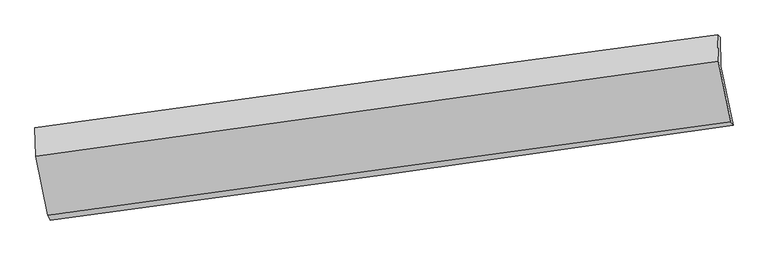
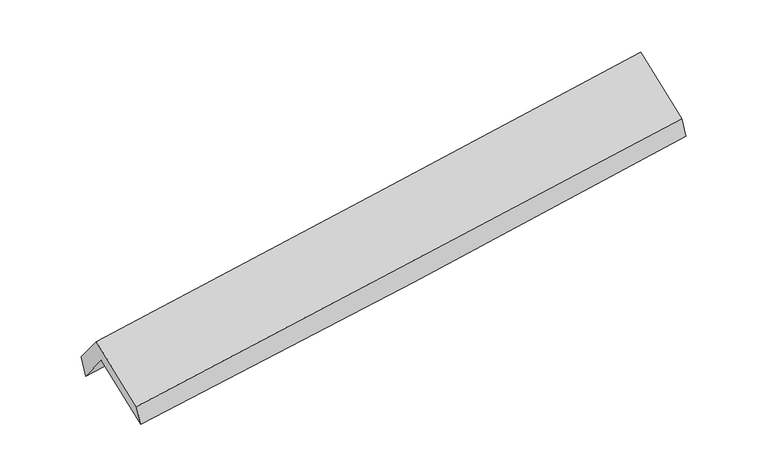
"""IFC4 building model written with IfcOpenShell, lengths in millimetres: proxy geometry."""

import ifcopenshell
import ifcopenshell.guid

model = None  # the IFC model being written
_history = None  # IfcOwnerHistory: only IFC2X3 demands one
_inside = {}  # id of a spatial element -> (the spatial element, [elements in it])
_under = {}  # id of a project, library or spatial element -> (it, [spatial elements below it])
_declared = {}  # id of a project -> (the project, [libraries it declares])
_typed = {}  # id of a type object -> (the type object, [elements of that type])
_made_of = {}  # id of a material, layer set ... -> (it, [elements and type objects made of it])


def new_model(schema):
    """Start an empty IFC model of exactly this schema.

    Asked for "IFC4X3", IfcOpenShell would pick the latest addendum, in which some entities
    have other attributes; the version numbers below select the first issue.
    IFC2X3 requires an IfcOwnerHistory on every rooted entity: one is made here for all.
    """
    global model, _history
    if schema == "IFC4X3":
        model = ifcopenshell.file(schema_version=(4, 3, 0, 0))
    else:
        model = ifcopenshell.file(schema=schema)
    _inside.clear()
    _under.clear()
    _declared.clear()
    _typed.clear()
    _made_of.clear()
    _history = None
    if model.schema == "IFC2X3":
        org = make("IfcOrganization", Name="unknown")
        user = make(
            "IfcPersonAndOrganization",
            ThePerson=make("IfcPerson", FamilyName="unknown"),
            TheOrganization=org,
        )
        app = make(
            "IfcApplication",
            ApplicationDeveloper=org,
            Version="unknown",
            ApplicationFullName="unknown",
            ApplicationIdentifier="unknown",
        )
        _history = make(
            "IfcOwnerHistory",
            OwningUser=user,
            OwningApplication=app,
            ChangeAction="ADDED",
            CreationDate=0,
        )
    return model


def make(cls, **values):
    """One entity of the class cls with the attributes given. An attribute that is None is left unset."""
    return model.create_entity(
        cls, **{name: value for name, value in values.items() if value is not None}
    )


def rooted(cls, **values):
    """An entity with a GlobalId (a new one), such as an element, a storey or a relation."""
    return make(cls, GlobalId=ifcopenshell.guid.new(), OwnerHistory=_history, **values)


def si_unit(unit_type, name, prefix=None):
    """IfcSIUnit, for example si_unit("LENGTHUNIT", "METRE", prefix="MILLI")."""
    return make("IfcSIUnit", UnitType=unit_type, Prefix=prefix, Name=name)


def assignment(units):
    """IfcUnitAssignment: the units of a project."""
    return None if units is None else make("IfcUnitAssignment", Units=units)


def point(xyz):
    """IfcCartesianPoint."""
    return None if xyz is None else make("IfcCartesianPoint", Coordinates=xyz)


def direction(xyz):
    """IfcDirection."""
    return None if xyz is None else make("IfcDirection", DirectionRatios=xyz)


def frame(location, z_axis=None, x_axis=None):
    """IfcAxis2Placement3D, a coordinate frame: its origin and axes. An axis left out is left unset."""
    return make(
        "IfcAxis2Placement3D",
        Location=point(location),
        Axis=direction(z_axis),
        RefDirection=direction(x_axis),
    )


def origin():
    """The frame at (0, 0, 0) with its axes left unset."""
    return frame((0.0, 0.0, 0.0))


def place(relative_to, where):
    """IfcLocalPlacement: puts the frame where relative to a parent placement (None: the world)."""
    return make(
        "IfcLocalPlacement", PlacementRelTo=relative_to, RelativePlacement=where
    )


def context(
    kind, dimensions, precision=None, world=None, true_north=None, identifier=None
):
    """IfcGeometricRepresentationContext, for example the 3D "Model" context."""
    return make(
        "IfcGeometricRepresentationContext",
        ContextIdentifier=identifier,
        ContextType=kind,
        CoordinateSpaceDimension=dimensions,
        Precision=precision,
        WorldCoordinateSystem=world,
        TrueNorth=true_north,
    )


def project(units=None, contexts=None):
    """IfcProject with its units and contexts."""
    return rooted(
        "IfcProject",
        Name="project",
        RepresentationContexts=contexts,
        UnitsInContext=assignment(units),
    )


def spatial(cls, under=None, at=None, **own):
    """A site, building, storey or space (cls), placed at a placement, below another one or the project."""
    s = rooted(cls, ObjectPlacement=at, **own)
    if under is not None:
        _under.setdefault(under.id(), (under, []))[1].append(s)
    return s


def shape(context_of_items, identifier, shape_type, items):
    """IfcShapeRepresentation: the items that make up one representation, for example the "Body"."""
    return make(
        "IfcShapeRepresentation",
        ContextOfItems=context_of_items,
        RepresentationIdentifier=identifier,
        RepresentationType=shape_type,
        Items=items,
    )


def source(mapping_origin, context_of_items, identifier, shape_type, items):
    """IfcRepresentationMap: a shape defined once, which mapped items show again and again."""
    return make(
        "IfcRepresentationMap",
        MappingOrigin=mapping_origin,
        MappedRepresentation=shape(context_of_items, identifier, shape_type, items),
    )


def transform(
    local_origin,
    x_axis=None,
    y_axis=None,
    z_axis=None,
    scale=None,
    scale2=None,
    scale3=None,
    uniform=True,
):
    """IfcCartesianTransformationOperator3D, or its non-uniform kind. x_axis, y_axis, z_axis: its Axis1, 2, 3."""
    if uniform:
        return make(
            "IfcCartesianTransformationOperator3D",
            Axis1=direction(x_axis),
            Axis2=direction(y_axis),
            LocalOrigin=point(local_origin),
            Scale=scale,
            Axis3=direction(z_axis),
        )
    return make(
        "IfcCartesianTransformationOperator3DnonUniform",
        Axis1=direction(x_axis),
        Axis2=direction(y_axis),
        LocalOrigin=point(local_origin),
        Scale=scale,
        Axis3=direction(z_axis),
        Scale2=scale2,
        Scale3=scale3,
    )


def mapped(mapping_source, mapping_target):
    """IfcMappedItem: shows the shape of a source again, moved by a transform."""
    return make(
        "IfcMappedItem", MappingSource=mapping_source, MappingTarget=mapping_target
    )


def made_of(thing, what):
    """Note that an element or type object is made of a material, layer set ...; save() writes the relation."""
    if what is not None:
        _made_of.setdefault(what.id(), (what, []))[1].append(thing)
    return thing


def element(
    cls,
    number,
    at=None,
    inside=None,
    cuts=None,
    type_object=None,
    material=None,
    context=None,
    identifier="Body",
    shape_type=None,
    held_by="IfcProductDefinitionShape",
    body=None,
    shapes=None,
    **own,
):
    """One element of the class cls, such as IfcWall. Its Tag is "e" and its number.

    at: its placement. inside: the storey or other place that contains it. cuts: it is an
    opening in that element (IfcRelVoidsElement). A single representation is given by context,
    identifier, shape_type and body (its items); several are given by shapes. held_by: the class
    of the entity that holds the representations. save() writes the other relations.
    """
    e = rooted(cls, Tag="e%d" % number, ObjectPlacement=at, **own)
    if body is not None:
        shapes = [shape(context, identifier, shape_type, body)]
    if shapes is not None:
        e.Representation = make(held_by, Representations=shapes)
    if inside is not None:
        _inside.setdefault(inside.id(), (inside, []))[1].append(e)
    if cuts is not None:
        rooted(
            "IfcRelVoidsElement", RelatingBuildingElement=cuts, RelatedOpeningElement=e
        )
    if type_object is not None:
        _typed.setdefault(type_object.id(), (type_object, []))[1].append(e)
    return made_of(e, material)


def aggregate(whole, parts):
    """IfcRelAggregates: a whole, such as a stair, and the parts it consists of."""
    return rooted("IfcRelAggregates", RelatingObject=whole, RelatedObjects=parts)


def save(model, path):
    """Write the relations noted so far, then the file.

    IfcRelAggregates (storeys below a building ...), IfcRelContainedInSpatialStructure (elements
    in a storey), IfcRelDefinesByType, IfcRelAssociatesMaterial and IfcRelDeclares: one each for
    every whole, place, type object, material and project.
    """
    for whole, parts in _under.values():
        aggregate(whole, parts)
    for where, things in _inside.values():
        rooted(
            "IfcRelContainedInSpatialStructure",
            RelatedElements=things,
            RelatingStructure=where,
        )
    for kind, things in _typed.values():
        rooted("IfcRelDefinesByType", RelatedObjects=things, RelatingType=kind)
    for what, things in _made_of.values():
        rooted("IfcRelAssociatesMaterial", RelatedObjects=things, RelatingMaterial=what)
    for by, libraries in _declared.values():
        rooted("IfcRelDeclares", RelatingContext=by, RelatedDefinitions=libraries)
    model.write(path)


def plane_surface(at):
    """IfcPlane: the flat surface through the origin of the frame at, square to its z axis."""
    return make("IfcPlane", Position=at)


def spline_curve(degree, points, multiplicities, knots, weights=None):
    """IfcBSplineCurveWithKnots; with weights, IfcRationalBSplineCurveWithKnots."""
    own = dict(
        Degree=degree,
        ControlPointsList=[point(p) for p in points],
        CurveForm="UNSPECIFIED",
        ClosedCurve=False,
        SelfIntersect=False,
        KnotMultiplicities=multiplicities,
        Knots=knots,
        KnotSpec="UNSPECIFIED",
    )
    if weights is None:
        return make("IfcBSplineCurveWithKnots", **own)
    return make("IfcRationalBSplineCurveWithKnots", WeightsData=weights, **own)


def spline_surface(u_degree, v_degree, points, u_multiplicities, v_multiplicities, u_knots, v_knots, weights=None):
    """IfcBSplineSurfaceWithKnots; with weights, IfcRationalBSplineSurfaceWithKnots. points: one row for each step in u."""
    own = dict(
        UDegree=u_degree,
        VDegree=v_degree,
        ControlPointsList=[[point(p) for p in row] for row in points],
        SurfaceForm="UNSPECIFIED",
        UClosed=False,
        VClosed=False,
        SelfIntersect=False,
        UMultiplicities=u_multiplicities,
        VMultiplicities=v_multiplicities,
        UKnots=u_knots,
        VKnots=v_knots,
        KnotSpec="UNSPECIFIED",
    )
    if weights is None:
        return make("IfcBSplineSurfaceWithKnots", **own)
    return make("IfcRationalBSplineSurfaceWithKnots", WeightsData=weights, **own)


def advanced_brep(points, edges, surfaces, faces):
    """IfcAdvancedBrep: a solid bounded by faces that lie on surfaces and meet in shared edges.

    An edge is (start, end): straight between two places in points (the first is 0);
    or (start, end, curve); or (start, end, curve, False) where it runs against its curve.
    A face is (place in surfaces, loops), or (place, loops, False) where it looks against
    its surface's normal. A loop lists edges by number (the first is 1), with a minus sign
    where the edge is run from its end to its start. The first loop is the outer one.
    """
    corners = [point(p) for p in points]
    vertices = [make("IfcVertexPoint", VertexGeometry=c) for c in corners]
    made = []
    for start, end, *more in edges:
        made.append(
            make(
                "IfcEdgeCurve",
                EdgeStart=vertices[start],
                EdgeEnd=vertices[end],
                EdgeGeometry=more[0] if more else make("IfcPolyline", Points=[corners[start], corners[end]]),
                SameSense=more[1] if len(more) > 1 else True,
            )
        )
    hull = []
    for where, loops, *sense in faces:
        bounds = []
        for j, loop in enumerate(loops):
            ring = [make("IfcOrientedEdge", EdgeElement=made[abs(k) - 1], Orientation=k > 0) for k in loop]
            bounds.append(
                make(
                    "IfcFaceOuterBound" if j == 0 else "IfcFaceBound",
                    Bound=make("IfcEdgeLoop", EdgeList=ring),
                    Orientation=True,
                )
            )
        hull.append(make("IfcAdvancedFace", Bounds=bounds, FaceSurface=surfaces[where], SameSense=sense[0] if sense else True))
    return make("IfcAdvancedBrep", Outer=make("IfcClosedShell", CfsFaces=hull))


def generic_models_8f352f9d(model_context):
    return source(origin(), model_context, "Body", "AdvancedBrep", [
        advanced_brep(
        [(-2892.5592112, -2506.4710422, 1469.9386802), (-2996.5648921, -1998.7461575, 1878.5026252), (2937.6471587, -1170.8419339, 2357.9566758), (3043.236536, -1682.4543052, 1946.2444858), (-3004.7074533, -1742.4894065, 1557.9780082), (2929.6537547, -919.2793496, 2043.3034983), (-3025.6257522, -1705.3665075, 1745.9725034), (2908.3694533, -897.1669167, 2257.9346382), (-3017.8194403, -1951.0410654, 2053.2609682), (2915.6265726, -1125.5576852, 2543.6046286), (-2912.6332033, -2464.5290746, 1640.0594628), (3023.9624739, -1650.4777937, 2121.1832417)],
        [
            (0, 1),
            (1, 2, spline_curve(3, [(-2996.5648921, -1998.7461575, 1878.5026252), (-2007.07162527, -1859.561674194, 1950.967192108), (-1017.803472657, -1720.976881553, 2027.154319629), (960.267204053, -1445.008825926, 2186.972452431), (1949.069734905, -1307.625543963, 2270.603341543), (2937.6471587, -1170.8419339, 2357.9566758)], [4, 2, 4], [0.0, 9.861142280933434, 19.722131005896365])),
            (2, 3),
            (3, 0, spline_curve(3, [(3043.236536, -1682.4543052, 1946.2444858), (2055.702265772, -1824.951997645, 1854.296290394), (1067.289343605, -1964.868390954, 1768.630302294), (-911.309211719, -2239.540717037, 1609.861504537), (-1901.494871455, -2374.296569487, 1536.758890989), (-2892.5592112, -2506.4710422, 1469.9386802)], [4, 2, 4], [0.0, 9.860988724962931, 19.722131005896365])),
            (1, 4),
            (4, 5, spline_curve(3, [(-3004.7074533, -1742.4894065, 1557.9780082), (-2015.093555756, -1607.101332638, 1635.191104296), (-1025.752657871, -1470.805916683, 1714.241772199), (952.36773608, -1196.402535815, 1876.016992624), (1941.147241246, -1058.294599753, 1958.741488061), (2929.6537547, -919.2793496, 2043.3034983)], [4, 2, 4], [0.0, 9.860397191764056, 19.720640839160005])),
            (5, 2),
            (4, 6),
            (6, 7, spline_curve(3, [(-3025.6257522, -1705.3665075, 1745.9725034), (-2036.445785736, -1567.727764282, 1824.316419899), (-1047.352352296, -1431.557913748, 1906.15224834), (930.646046655, -1162.158096192, 2076.806402352), (1919.551015489, -1028.928082798, 2165.624618227), (2908.3694533, -897.1669167, 2257.9346382)], [4, 2, 4], [0.0, 9.860187479593773, 19.72022141808504])),
            (7, 5),
            (6, 8),
            (8, 9, spline_curve(3, [(-3017.8194403, -1951.0410654, 2053.2609682), (-2028.650385844, -1813.058903942, 2131.175338542), (-1039.608175207, -1675.277007482, 2210.994828246), (938.207158191, -1400.115886715, 2374.442774553), (1926.980285435, -1262.736656661, 2458.071171455), (2915.6265726, -1125.5576852, 2543.6046286)], [4, 2, 4], [0.0, 9.860046447711476, 19.71993935651657])),
            (9, 7),
            (8, 10),
            (10, 11, spline_curve(3, [(-2912.6332033, -2464.5290746, 1640.0594628), (-1923.205699058, -2327.17058247, 1717.46864911), (-933.771788675, -2190.65320811, 1796.267213334), (1045.093437085, -1919.302807217, 1956.641849394), (2034.524752581, -1784.469754625, 2038.217878278), (3023.9624739, -1650.4777937, 2121.1832417)], [4, 2, 4], [0.0, 9.86069748737397, 19.721241425703685])),
            (11, 9),
            (10, 0),
            (3, 11),
        ],
        [
            spline_surface(3, 3, [[(-2892.5592112, -2506.4710422, 1469.9386802), (-1901.494871556, -2374.296569519, 1536.758890913), (-911.309211565, -2239.540717022, 1609.861504647), (1067.289343451, -1964.868390969, 1768.630302184), (2055.702265897, -1824.951997786, 1854.296290286), (3043.236536, -1682.4543052, 1946.2444858)], [(-2927.227771512, -2337.229413959, 1606.126661863), (-1936.68712286, -2202.718271124, 1674.828324594), (-946.807298576, -2066.686105226, 1748.959109626), (1031.615296966, -1791.581869236, 1908.077685595), (2020.158088859, -1652.509846496, 1993.065307405), (3008.040076909, -1511.91684808, 2083.48188248)], [(-2961.896331788, -2167.987785741, 1742.314643537), (-1971.879374126, -2031.139972753, 1812.897758287), (-982.305385588, -1893.831493467, 1888.056714635), (995.941250479, -1618.295347541, 2047.525069035), (1984.613911794, -1480.067695264, 2131.834324484), (2972.843617791, -1341.37939102, 2220.71927912)], [(-2996.5648921, -1998.7461575, 1878.5026252), (-2007.07162543, -1859.561674359, 1950.967191968), (-1017.803472598, -1720.976881671, 2027.154319614), (960.267203994, -1445.008825809, 2186.972452446), (1949.069734756, -1307.625543974, 2270.603341603), (2937.6471587, -1170.8419339, 2357.9566758)]], [4, 4], [4, 2, 4], [0.0, 2.2143835192189085], [0.0, 9.861142280933434, 19.722131005896365]),
            spline_surface(3, 3, [[(-2996.5648921, -1998.7461575, 1878.5026252), (-2007.07162543, -1859.561674359, 1950.967191968), (-1017.803472598, -1720.976881671, 2027.154319614), (960.267203994, -1445.008825809, 2186.972452446), (1949.069734756, -1307.625543974, 2270.603341603), (2937.6471587, -1170.8419339, 2357.9566758)], [(-2999.279079176, -1913.327240502, 1771.661086203), (-2009.745602188, -1775.408227147, 1845.708496027), (-1020.453201034, -1637.586559976, 1922.850137117), (957.634048084, -1362.140062547, 2083.320632536), (1946.428903546, -1224.515229273, 2166.649390405), (2934.982690692, -1086.987739136, 2253.072283271)], [(-3001.993266224, -1827.908323498, 1664.819547197), (-2012.419578919, -1691.25477993, 1740.449800075), (-1023.102929544, -1554.196238225, 1818.545954612), (955.000892099, -1279.271299229, 1979.668812618), (1943.78807236, -1141.404914565, 2062.695439294), (2932.318222708, -1003.133544364, 2148.187890829)], [(-3004.7074533, -1742.4894065, 1557.9780082), (-2015.093555677, -1607.101332718, 1635.191104133), (-1025.75265798, -1470.80591653, 1714.241772114), (952.367736189, -1196.402535968, 1876.016992708), (1941.147241149, -1058.294599864, 1958.741488096), (2929.6537547, -919.2793496, 2043.3034983)]], [4, 4], [4, 2, 4], [0.0, 1.3105315705699647], [0.0, 9.860397191764056, 19.720640839160005]),
            spline_surface(3, 3, [[(-3004.7074533, -1742.4894065, 1557.9780082), (-2015.093555677, -1607.101332718, 1635.191104133), (-1025.75265798, -1470.80591653, 1714.241772114), (952.367736189, -1196.402535968, 1876.016992708), (1941.147241149, -1058.294599864, 1958.741488096), (2929.6537547, -919.2793496, 2043.3034983)], [(-3011.680219596, -1730.115106822, 1620.642839948), (-2022.210965654, -1593.976809928, 1698.232876022), (-1032.95255613, -1457.72324899, 1778.211930925), (945.127173026, -1184.987722664, 1942.946795883), (1933.948499209, -1048.505760879, 2027.702531538), (2922.558987555, -911.908538627, 2114.847211618)], [(-3018.652985904, -1717.740807178, 1683.307671652), (-2029.328375642, -1580.852287173, 1761.274647867), (-1040.152454235, -1444.640581436, 1842.182089692), (937.886609906, -1173.572909346, 2009.876599014), (1926.749757305, -1038.716921915, 2096.663574927), (2915.464220445, -904.537727673, 2186.390924882)], [(-3025.6257522, -1705.3665075, 1745.9725034), (-2036.445785618, -1567.727764384, 1824.316419755), (-1047.352352384, -1431.557913896, 1906.152248503), (930.646046743, -1162.158096043, 2076.806402188), (1919.551015364, -1028.92808293, 2165.62461837), (2908.3694533, -897.1669167, 2257.9346382)]], [4, 4], [4, 2, 4], [0.0, 0.6592181904969815], [0.0, 9.860187479593773, 19.72022141808504]),
            spline_surface(3, 3, [[(-3025.6257522, -1705.3665075, 1745.9725034), (-2036.445785618, -1567.727764384, 1824.316419755), (-1047.352352384, -1431.557913896, 1906.152248503), (930.646046743, -1162.158096043, 2076.806402188), (1919.551015364, -1028.92808293, 2165.62461837), (2908.3694533, -897.1669167, 2257.9346382)], [(-3023.023648226, -1787.258026831, 1848.401991662), (-2033.847319019, -1649.504810892, 1926.602726005), (-1044.770960047, -1512.7976117, 2007.766441775), (933.166417261, -1241.477359625, 2176.018526282), (1922.027438742, -1106.864274163, 2263.106802733), (2910.78849307, -973.297172873, 2353.157968343)], [(-3020.421544274, -1869.149546069, 1950.831479938), (-2031.248852443, -1731.281857309, 2028.889032267), (-1042.18956768, -1594.037309555, 2109.380635053), (935.686787808, -1320.796623257, 2275.23065038), (1924.50386211, -1184.800465377, 2360.588987069), (2913.20753283, -1049.427429027, 2448.381298457)], [(-3017.8194403, -1951.0410654, 2053.2609682), (-2028.650385844, -1813.058903817, 2131.175338516), (-1039.608175342, -1675.277007358, 2210.994828326), (938.207158326, -1400.115886838, 2374.442774473), (1926.980285488, -1262.736656611, 2458.071171433), (2915.6265726, -1125.5576852, 2543.6046286)]], [4, 4], [4, 2, 4], [0.0, 1.2656007146943629], [0.0, 9.860046447711476, 19.71993935651657]),
            spline_surface(3, 3, [[(-3017.8194403, -1951.0410654, 2053.2609682), (-2028.650385844, -1813.058903817, 2131.175338516), (-1039.608175342, -1675.277007358, 2210.994828326), (938.207158326, -1400.115886838, 2374.442774473), (1926.980285488, -1262.736656611, 2458.071171433), (2915.6265726, -1125.5576852, 2543.6046286)], [(-2982.75736131, -2122.203735101, 1915.527133063), (-1993.502156962, -1984.429463341, 1993.273108665), (-1004.32937981, -1847.069074245, 2072.752289965), (973.835917946, -1573.178193643, 2235.175799483), (1962.828441163, -1436.647689318, 2318.120073675), (2951.738539704, -1300.531054697, 2402.797499634)], [(-2947.69528229, -2293.366404899, 1777.793297937), (-1958.353928049, -2155.800022962, 1855.370878825), (-969.050584293, -2018.861141159, 1934.509751595), (1009.464677551, -1746.240500476, 2095.908824483), (1998.676596825, -1610.558722034, 2178.168975914), (2987.850506796, -1475.504424203, 2261.990370666)], [(-2912.6332033, -2464.5290746, 1640.0594628), (-1923.205699167, -2327.170582485, 1717.468648974), (-933.771788761, -2190.653208046, 1796.267213235), (1045.093437171, -1919.302807281, 1956.641849493), (2034.5247525, -1784.469754741, 2038.217878156), (3023.9624739, -1650.4777937, 2121.1832417)]], [4, 4], [4, 2, 4], [0.0, 2.206151591613752], [0.0, 9.86069748737397, 19.721241425703685]),
            spline_surface(3, 3, [[(-2912.6332033, -2464.5290746, 1640.0594628), (-1923.205699167, -2327.170582485, 1717.468648974), (-933.771788761, -2190.653208046, 1796.267213235), (1045.093437171, -1919.302807281, 1956.641849493), (2034.5247525, -1784.469754741, 2038.217878156), (3023.9624739, -1650.4777937, 2121.1832417)], [(-2905.941872579, -2478.509730486, 1583.352535261), (-1915.968756609, -2342.879244849, 1657.232062947), (-926.284263034, -2206.949044386, 1734.13197703), (1052.492072593, -1934.491335192, 1893.971333714), (2041.583923636, -1797.963835776, 1976.910682187), (3030.38716127, -1661.136630886, 2062.870323055)], [(-2899.250541921, -2492.490386314, 1526.645607739), (-1908.731814114, -2358.587907155, 1596.995476939), (-918.796737292, -2223.244880682, 1671.996740852), (1059.89070803, -1949.679863058, 1831.300817962), (2048.643094761, -1811.457916751, 1915.603486255), (3036.81184863, -1671.795468014, 2004.557404445)], [(-2892.5592112, -2506.4710422, 1469.9386802), (-1901.494871556, -2374.296569519, 1536.758890913), (-911.309211565, -2239.540717022, 1609.861504647), (1067.289343451, -1964.868390969, 1768.630302184), (2055.702265897, -1824.951997786, 1854.296290286), (3043.236536, -1682.4543052, 1946.2444858)]], [4, 4], [4, 2, 4], [0.0, 0.6376657330638189], [0.0, 9.861574967426936, 19.72299637214565]),
            plane_surface(frame((2959.7493248, -1240.9629974, 2211.7045281), z_axis=(0.987119646720942, 0.13624811132468212, 0.08385258027025824), x_axis=(0.1587490255176483, -0.7691868963840794, -0.6189913289604505))),
            plane_surface(frame((-2974.9849921, -2061.4405423, 1724.2853746), z_axis=(-0.9873041132997016, -0.1353509698839315, -0.08313063702973207), x_axis=(-0.11382335745070382, 0.23781894195990938, 0.9646172267504446))),
        ],
        [
            (0, [[1, 2, 3, 4]]),
            (1, [[5, 6, 7, -2]]),
            (2, [[8, 9, 10, -6]]),
            (3, [[11, 12, 13, -9]]),
            (4, [[14, 15, 16, -12]]),
            (5, [[17, -4, 18, -15]]),
            (6, [[-16, -18, -3, -7, -10, -13]]),
            (7, [[-17, -14, -11, -8, -5, -1]]),
        ],
    ),
    ])


if __name__ == "__main__":
    model = new_model("IFC4")
    model_context = context("Model", 3, world=origin())
    ifc_project = project(units=[si_unit("LENGTHUNIT", "METRE", prefix="MILLI")], contexts=[model_context])
    site = spatial("IfcSite", under=ifc_project)
    building = spatial("IfcBuilding", under=site)
    placement = place(None, origin())
    generic_models_shape = generic_models_8f352f9d(model_context)
    element("IfcBuildingElementProxy", 1, Name="Generic Models", at=placement, inside=building, context=model_context, shape_type="MappedRepresentation", body=[
        mapped(generic_models_shape, transform((0.0, 0.0, 0.0), x_axis=(1.0, 0.0, 0.0), y_axis=(0.0, 1.0, 0.0), z_axis=(0.0, 0.0, 1.0))),
    ])
    save(model, "model.ifc")
